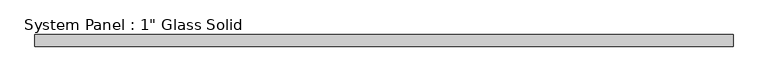
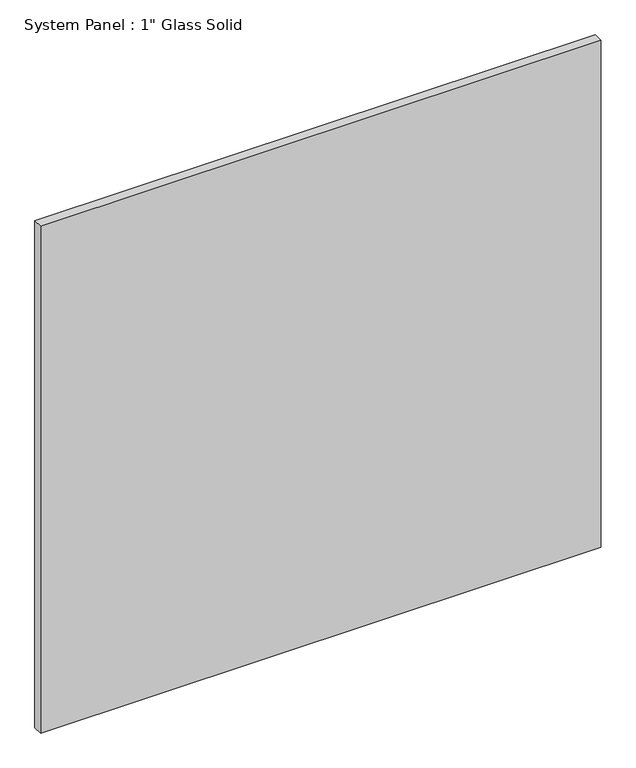
"""IFC4 building model written with IfcOpenShell, lengths in millimetres: plate geometry."""

from ifc_helpers import new_model, si_unit, origin, origin_with_axes, place, context, project, spatial, polyline, outline, extrude, source, transform, mapped, element, save


def plate_0bee309d(model_context):
    return source(origin(), model_context, "Body", "SweptSolid", [
        extrude(outline(polyline([(734.4842185, -12.7), (-734.4842185, -12.7), (-734.4842185, 12.7), (734.4842185, 12.7), (734.4842185, -12.7)])), origin_with_axes(), (0.0, 0.0, 1.0), 1403.2411731),
    ])


if __name__ == "__main__":
    model = new_model("IFC4")
    model_context = context("Model", 3, world=origin())
    ifc_project = project(units=[si_unit("LENGTHUNIT", "METRE", prefix="MILLI")], contexts=[model_context])
    site = spatial("IfcSite", under=ifc_project)
    building = spatial("IfcBuilding", under=site)
    placement = place(None, origin())
    plate_shape = plate_0bee309d(model_context)
    element("IfcPlate", 1, ObjectType="System Panel : 1\" Glass Solid", at=placement, inside=building, context=model_context, shape_type="MappedRepresentation", body=[
        mapped(plate_shape, transform((0.0, 0.0, 0.0), x_axis=(1.0, 0.0, 0.0), y_axis=(0.0, 1.0, 0.0), z_axis=(0.0, 0.0, 1.0))),
    ])
    save(model, "model.ifc")
